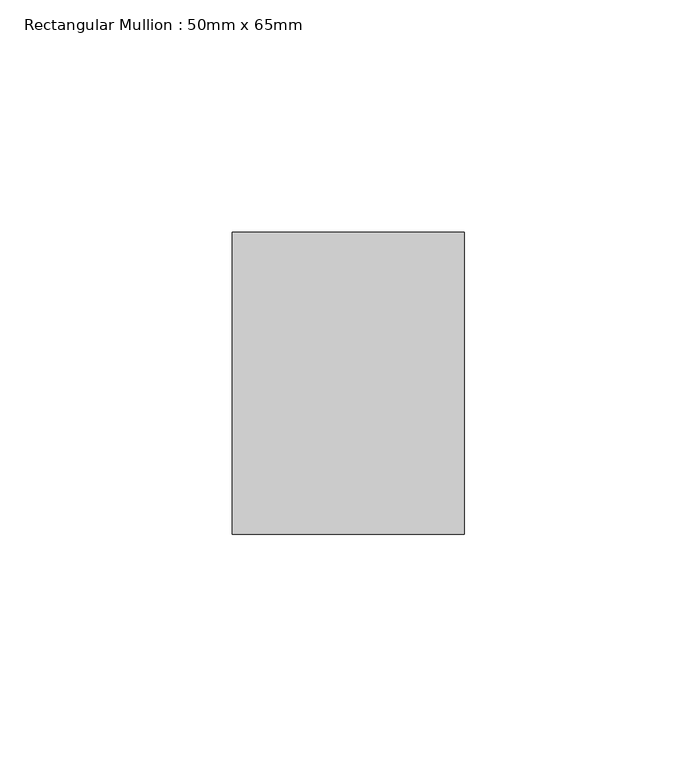
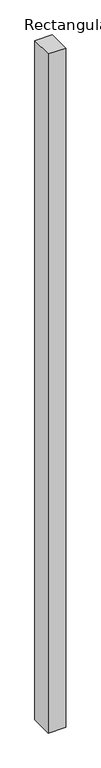
"""IFC4 building model written with IfcOpenShell, lengths in millimetres: member geometry, Rectangular Mullion : 50mm x 65mm."""

from ifc_helpers import new_model, si_unit, frame, origin, place, context, project, spatial, polyline, outline, extrude, source, transform, mapped, element, save


def rectangular_mullion_50mm_x_65mm_6086d065(model_context):
    return source(origin(), model_context, "Body", "SweptSolid", [
        extrude(outline(polyline([(25.0, 32.5), (25.0, -32.5), (-25.0, -32.5), (-25.0, 32.5), (25.0, 32.5)])), frame((0.0, 0.0, -2042.0394313), z_axis=(0.0, 0.0, 1.0), x_axis=(1.0, 0.0, 0.0)), (0.0, 0.0, 1.0), 2042.0394313),
    ])


if __name__ == "__main__":
    model = new_model("IFC4")
    model_context = context("Model", 3, world=origin())
    ifc_project = project(units=[si_unit("LENGTHUNIT", "METRE", prefix="MILLI")], contexts=[model_context])
    site = spatial("IfcSite", under=ifc_project)
    building = spatial("IfcBuilding", under=site)
    placement = place(None, origin())
    rectangular_mullion_50mm_x_65mm_shape = rectangular_mullion_50mm_x_65mm_6086d065(model_context)
    element("IfcMember", 1, ObjectType="Rectangular Mullion : 50mm x 65mm", at=placement, inside=building, context=model_context, shape_type="MappedRepresentation", body=[
        mapped(rectangular_mullion_50mm_x_65mm_shape, transform((0.0, 0.0, 0.0), x_axis=(1.0, 0.0, 0.0), y_axis=(0.0, 1.0, 0.0), z_axis=(0.0, 0.0, 1.0))),
    ])
    save(model, "model.ifc")
